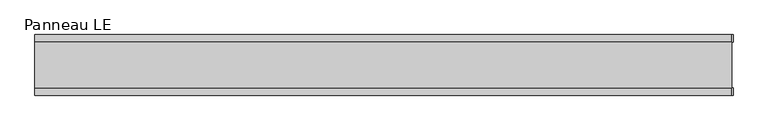
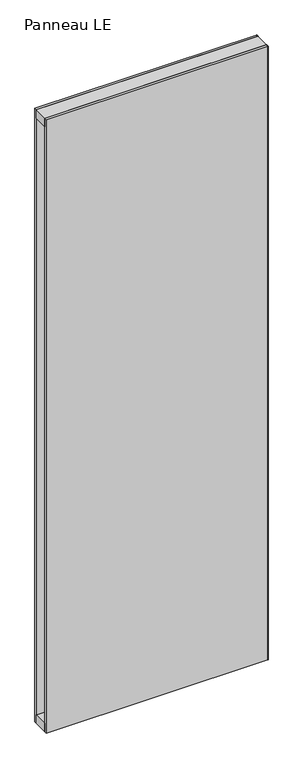
"""IFC4 building model written with IfcOpenShell, lengths in millimetres: plate geometry, Panneau LE."""

from ifc_helpers import new_model, si_unit, frame, origin, origin_with_axes, place, context, project, spatial, polyline, outline, extrude, source, transform, mapped, element, save


def panneau_le_df5e33c2(model_context):
    return source(origin(), model_context, "Body", "SweptSolid", [
        extrude(outline(polyline([(502.7748678, 43.8), (502.7748678, 33.0), (500.7748678, 33.0), (500.7748678, 43.8), (502.7748678, 43.8)])), origin_with_axes(), (0.0, 0.0, 1.0), 2933.0),
        extrude(outline(polyline([(502.7748678, -33.0), (502.7748678, -43.8), (500.7748678, -43.8), (500.7748678, -33.0), (502.7748678, -33.0)])), origin_with_axes(), (0.0, 0.0, 1.0), 2933.0),
        extrude(outline(polyline([(500.7748678, -33.0), (-500.7748678, -33.0), (-500.7748678, 33.0), (500.7748678, 33.0), (500.7748678, -33.0)])), frame((0.0, 0.0, 2893.0), z_axis=(0.0, 0.0, 1.0), x_axis=(1.0, 0.0, 0.0)), (0.0, 0.0, 1.0), 40.0),
        extrude(outline(polyline([(500.7748678, -33.0), (-500.7748678, -33.0), (-500.7748678, 33.0), (500.7748678, 33.0), (500.7748678, -33.0)])), origin_with_axes(), (0.0, 0.0, 1.0), 40.0),
        extrude(outline(polyline([(500.7748678, 33.0), (-500.7748678, 33.0), (-500.7748678, 43.8), (500.7748678, 43.8), (500.7748678, 33.0)])), origin_with_axes(), (0.0, 0.0, 1.0), 2933.0),
        extrude(outline(polyline([(-500.7748678, -43.8), (-500.7748678, -33.0), (500.7748678, -33.0), (500.7748678, -43.8), (-500.7748678, -43.8)])), origin_with_axes(), (0.0, 0.0, 1.0), 2933.0),
    ])


if __name__ == "__main__":
    model = new_model("IFC4")
    model_context = context("Model", 3, world=origin())
    ifc_project = project(units=[si_unit("LENGTHUNIT", "METRE", prefix="MILLI")], contexts=[model_context])
    site = spatial("IfcSite", under=ifc_project)
    building = spatial("IfcBuilding", under=site)
    placement = place(None, origin())
    panneau_le_shape = panneau_le_df5e33c2(model_context)
    element("IfcPlate", 1, ObjectType="Panneau LE", at=placement, inside=building, context=model_context, shape_type="MappedRepresentation", body=[
        mapped(panneau_le_shape, transform((0.0, 0.0, 0.0), x_axis=(1.0, 0.0, 0.0), y_axis=(0.0, 1.0, 0.0), z_axis=(0.0, 0.0, 1.0))),
    ])
    save(model, "model.ifc")
